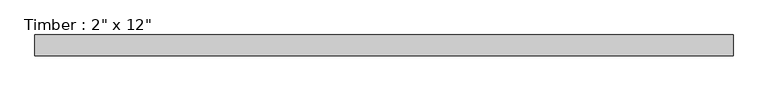
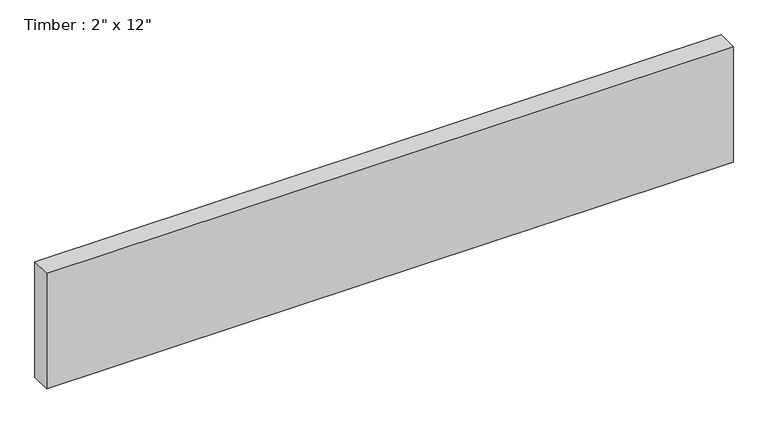
"""IFC4 building model written with IfcOpenShell, lengths in millimetres: beam geometry."""

from ifc_helpers import new_model, si_unit, frame, origin, place, context, project, spatial, polyline, outline, extrude, source, transform, mapped, element, save


def beam_23df6473(model_context):
    return source(origin(), model_context, "Body", "SweptSolid", [
        extrude(outline(polyline([(868.9474148, 25.4), (868.9474148, -25.4), (-843.5474148, -25.4), (-843.5474148, 25.4), (868.9474148, 25.4)])), frame((0.0, 0.0, -152.4), z_axis=(0.0, 0.0, 1.0), x_axis=(1.0, 0.0, 0.0)), (0.0, 0.0, 1.0), 304.8),
    ])


if __name__ == "__main__":
    model = new_model("IFC4")
    model_context = context("Model", 3, world=origin())
    ifc_project = project(units=[si_unit("LENGTHUNIT", "METRE", prefix="MILLI")], contexts=[model_context])
    site = spatial("IfcSite", under=ifc_project)
    building = spatial("IfcBuilding", under=site)
    placement = place(None, origin())
    beam_shape = beam_23df6473(model_context)
    element("IfcBeam", 1, ObjectType="Timber : 2\" x 12\"", at=placement, inside=building, context=model_context, shape_type="MappedRepresentation", body=[
        mapped(beam_shape, transform((0.0, 0.0, 0.0), x_axis=(1.0, 0.0, 0.0), y_axis=(0.0, 1.0, 0.0), z_axis=(0.0, 0.0, 1.0))),
    ])
    save(model, "model.ifc")
